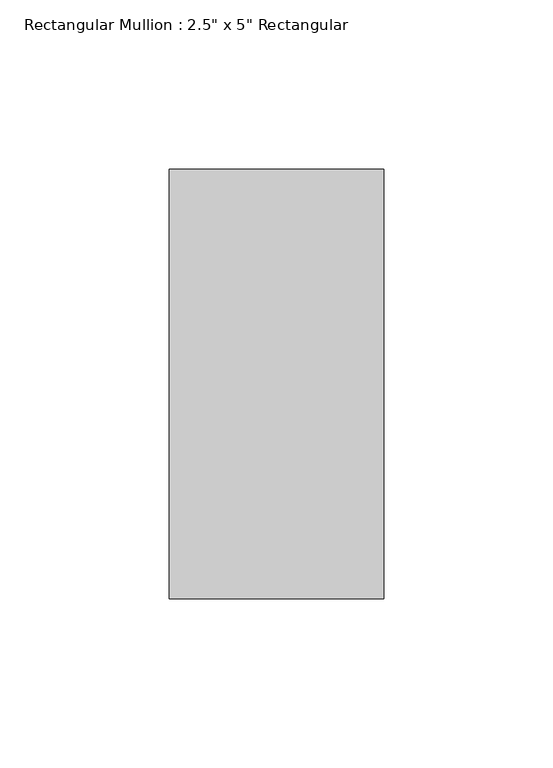
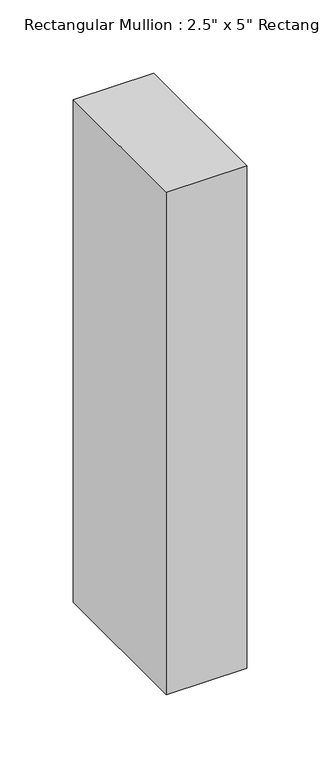
"""IFC4 building model written with IfcOpenShell, lengths in millimetres: member geometry."""

from ifc_helpers import new_model, si_unit, frame, origin, place, context, project, spatial, polyline, outline, extrude, source, transform, mapped, element, save


def member_ccaabd6e(model_context):
    return source(origin(), model_context, "Body", "SweptSolid", [
        extrude(outline(polyline([(0.0, 63.5), (0.0, -63.5), (-63.5, -63.5), (-63.5, 63.5), (0.0, 63.5)])), frame((0.0, 0.0, -419.1), z_axis=(0.0, 0.0, 1.0), x_axis=(1.0, 0.0, 0.0)), (0.0, 0.0, 1.0), 419.1),
    ])


if __name__ == "__main__":
    model = new_model("IFC4")
    model_context = context("Model", 3, world=origin())
    ifc_project = project(units=[si_unit("LENGTHUNIT", "METRE", prefix="MILLI")], contexts=[model_context])
    site = spatial("IfcSite", under=ifc_project)
    building = spatial("IfcBuilding", under=site)
    placement = place(None, origin())
    member_shape = member_ccaabd6e(model_context)
    element("IfcMember", 1, ObjectType="Rectangular Mullion : 2.5\" x 5\" Rectangular", at=placement, inside=building, context=model_context, shape_type="MappedRepresentation", body=[
        mapped(member_shape, transform((0.0, 0.0, 0.0), x_axis=(1.0, 0.0, 0.0), y_axis=(0.0, 1.0, 0.0), z_axis=(0.0, 0.0, 1.0))),
    ])
    save(model, "model.ifc")
